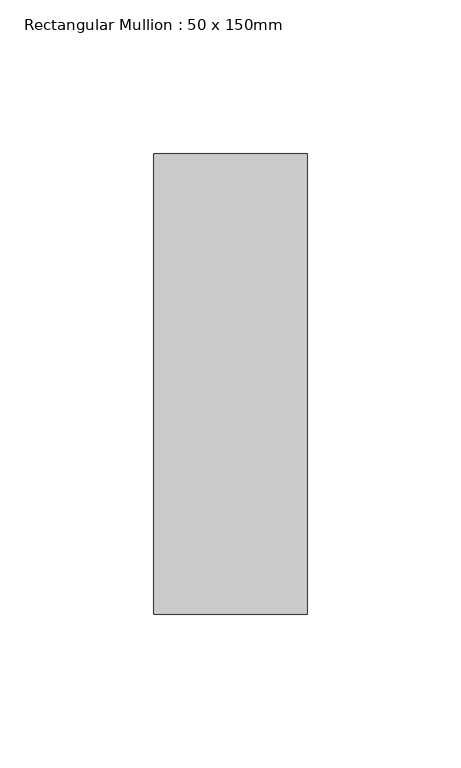
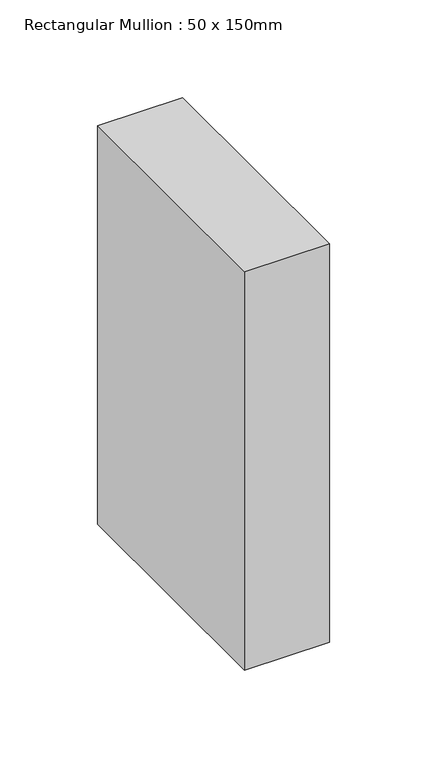
"""IFC4 building model written with IfcOpenShell, lengths in millimetres: member geometry, Rectangular Mullion : 50 x 150mm."""

from ifc_helpers import new_model, si_unit, frame, origin, place, context, project, spatial, polyline, outline, extrude, source, transform, mapped, element, save


def rectangular_mullion_50_x_150mm_0021bd19(model_context):
    return source(origin(), model_context, "Body", "SweptSolid", [
        extrude(outline(polyline([(25.0, 75.0), (25.0, -75.0), (-25.0, -75.0), (-25.0, 75.0), (25.0, 75.0)])), frame((0.0, 0.0, -248.281277), z_axis=(0.0, 0.0, 1.0), x_axis=(1.0, 0.0, 0.0)), (0.0, 0.0, 1.0), 248.281277),
    ])


if __name__ == "__main__":
    model = new_model("IFC4")
    model_context = context("Model", 3, world=origin())
    ifc_project = project(units=[si_unit("LENGTHUNIT", "METRE", prefix="MILLI")], contexts=[model_context])
    site = spatial("IfcSite", under=ifc_project)
    building = spatial("IfcBuilding", under=site)
    placement = place(None, origin())
    rectangular_mullion_50_x_150mm_shape = rectangular_mullion_50_x_150mm_0021bd19(model_context)
    element("IfcMember", 1, ObjectType="Rectangular Mullion : 50 x 150mm", at=placement, inside=building, context=model_context, shape_type="MappedRepresentation", body=[
        mapped(rectangular_mullion_50_x_150mm_shape, transform((0.0, 0.0, 0.0), x_axis=(1.0, 0.0, 0.0), y_axis=(0.0, 1.0, 0.0), z_axis=(0.0, 0.0, 1.0))),
    ])
    save(model, "model.ifc")
